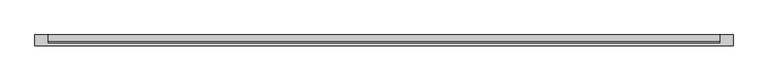
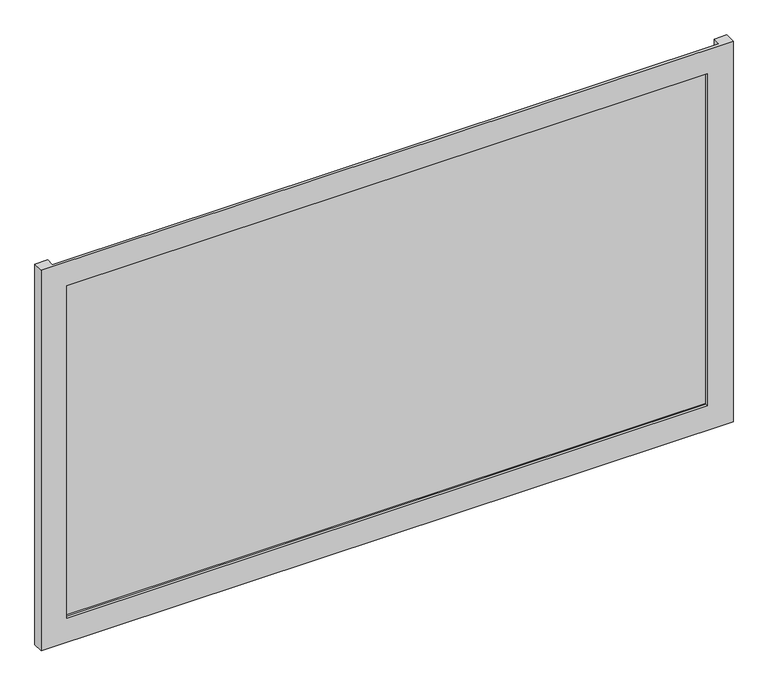
"""IFC4 building model written with IfcOpenShell, lengths in millimetres: plate geometry."""

from ifc_helpers import new_model, si_unit, origin, origin_with_axes, place, context, project, spatial, polyline, outline, extrude, faceted_brep, source, transform, mapped, element, save


def plate_5c821cce(model_context):
    return source(origin(), model_context, "Body", "SolidModel", [
        faceted_brep([(675.0, -50.8, -50.0), (675.0, -71.8, -50.0), (-675.0, -71.8, -50.0), (-675.0, -50.8, -50.0), (-650.0, -50.8, -50.0), (-650.0, -66.8, -50.0), (650.0, -66.8, -50.0), (650.0, -50.8, -50.0), (625.0, -71.8, 0.0), (625.0, -66.8, 0.0), (-625.0, -66.8, 0.0), (-625.0, -71.8, 0.0), (675.0, -71.8, 735.0), (-675.0, -71.8, 735.0), (-625.0, -71.8, 685.0), (625.0, -71.8, 685.0), (-650.0, -66.8, 735.0), (650.0, -66.8, 735.0), (625.0, -66.8, 685.0), (-625.0, -66.8, 685.0), (675.0, -50.8, 735.0), (650.0, -50.8, 735.0), (-650.0, -50.8, 735.0), (-675.0, -50.8, 735.0)], [[[0, 1, 2, 3, 4, 5, 6, 7]], [[8, 9, 10, 11]], [[12, 13, 2, 1], [11, 14, 15, 8]], [[16, 17, 6, 5], [9, 18, 19, 10]], [[20, 21, 17, 16, 22, 23, 13, 12]], [[20, 0, 7, 21]], [[21, 7, 6, 17]], [[8, 15, 18, 9]], [[12, 1, 0, 20]], [[22, 4, 3, 23]], [[16, 5, 4, 22]], [[10, 19, 14, 11]], [[23, 3, 2, 13]], [[18, 15, 14, 19]]]),
        extrude(outline(polyline([(650.0, -50.8), (650.0, -63.2), (-650.0, -63.2), (-650.0, -50.8), (650.0, -50.8)])), origin_with_axes(), (0.0, 0.0, 1.0), 685.0),
    ])


if __name__ == "__main__":
    model = new_model("IFC4")
    model_context = context("Model", 3, world=origin())
    ifc_project = project(units=[si_unit("LENGTHUNIT", "METRE", prefix="MILLI")], contexts=[model_context])
    site = spatial("IfcSite", under=ifc_project)
    building = spatial("IfcBuilding", under=site)
    placement = place(None, origin())
    plate_shape = plate_5c821cce(model_context)
    element("IfcPlate", 1, at=placement, inside=building, context=model_context, shape_type="MappedRepresentation", body=[
        mapped(plate_shape, transform((0.0, 0.0, 0.0), x_axis=(1.0, 0.0, 0.0), y_axis=(0.0, 1.0, 0.0), z_axis=(0.0, 0.0, 1.0))),
    ])
    save(model, "model.ifc")
